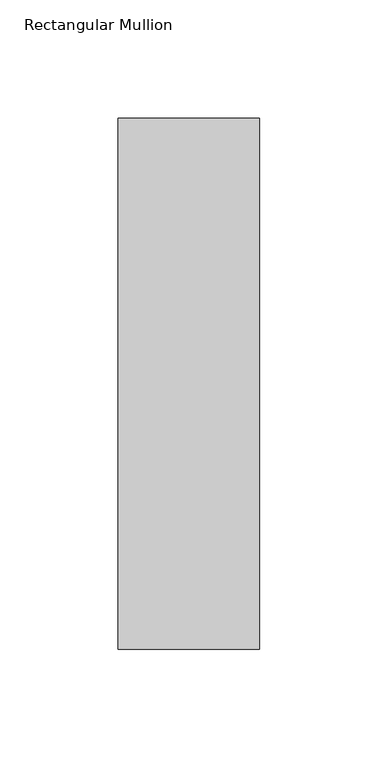
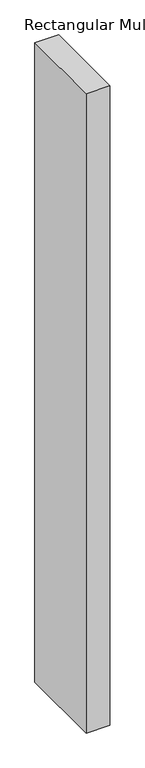
"""IFC4 building model written with IfcOpenShell, lengths in millimetres: member geometry, Rectangular Mullion."""

from ifc_helpers import new_model, si_unit, frame, origin, place, context, project, spatial, polyline, outline, extrude, source, transform, mapped, element, save


def rectangular_mullion_78ff8e90(model_context):
    return source(origin(), model_context, "Body", "SweptSolid", [
        extrude(outline(polyline([(30.0, 177.84375), (30.0, -46.84375), (-30.0, -46.84375), (-30.0, 177.84375), (30.0, 177.84375)])), frame((0.0, 0.0, -1708.8912252), z_axis=(0.0, 0.0, 1.0), x_axis=(1.0, 0.0, 0.0)), (0.0, 0.0, 1.0), 1708.8912252),
    ])


if __name__ == "__main__":
    model = new_model("IFC4")
    model_context = context("Model", 3, world=origin())
    ifc_project = project(units=[si_unit("LENGTHUNIT", "METRE", prefix="MILLI")], contexts=[model_context])
    site = spatial("IfcSite", under=ifc_project)
    building = spatial("IfcBuilding", under=site)
    placement = place(None, origin())
    rectangular_mullion_shape = rectangular_mullion_78ff8e90(model_context)
    element("IfcMember", 1, ObjectType="Rectangular Mullion", at=placement, inside=building, context=model_context, shape_type="MappedRepresentation", body=[
        mapped(rectangular_mullion_shape, transform((0.0, 0.0, 0.0), x_axis=(1.0, 0.0, 0.0), y_axis=(0.0, 1.0, 0.0), z_axis=(0.0, 0.0, 1.0))),
    ])
    save(model, "model.ifc")
